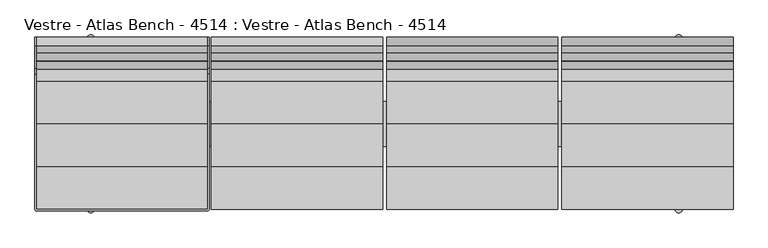
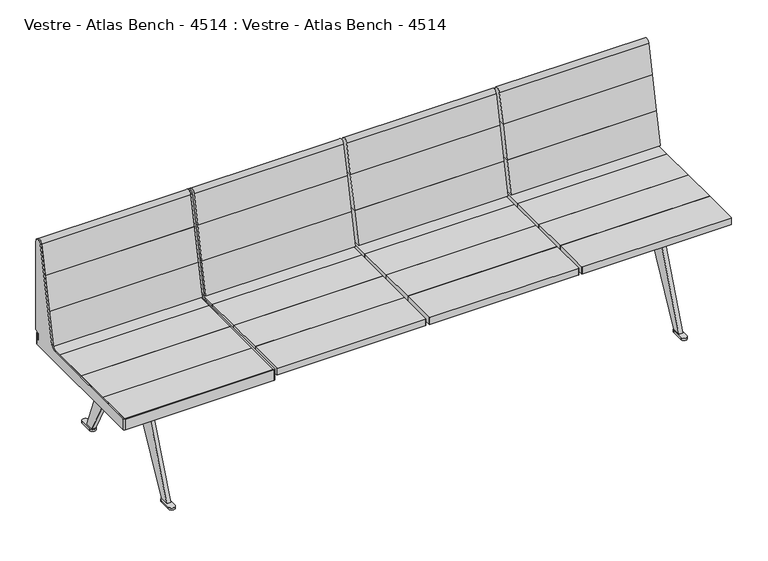
"""IFC4 building model written with IfcOpenShell, lengths in millimetres: furniture geometry, Vestre - Atlas Bench - 4514 : Vestre - Atlas Bench - 4514."""

from ifc_helpers import new_model, si_unit, point, frame, frame_2d, origin, origin_with_axes, place, context, project, spatial, polyline, circle_curve, trimmed, segment, composite_curve, outline, extrude, faceted_brep, source, transform, mapped, element, save
from ifc_brep_helpers import plane_surface, cylinder_surface, revolved_surface, advanced_brep


def vestre_atlas_bench_4514_vestre_atlas_bench_4514_ac5c6514(model_context):
    return source(origin(), model_context, "Body", "SolidModel", [
        advanced_brep(
        [(-1199.499749, 300.0000023, 454.2874442), (-1199.499749, 300.0000023, 823.6998603), (-1199.499749, 270.3277883, 826.8185356), (-1199.499749, 191.1979651, 454.541987), (-1199.499749, 171.6350131, 438.7002208), (-1199.499749, -294.035874, 438.7002208), (-1199.499749, -294.035874, 395.7002292), (-1199.499749, 294.0091733, 395.7002292), (-1199.499749, 294.0091733, 438.7002208), (-1199.499749, 289.8860908, 438.7002208), (-1199.499749, 287.8917461, 446.1432162), (-1199.499749, 299.001022, 452.5571596), (-1204.4994438, 300.0000023, 454.2874442), (-1204.4994438, 299.001022, 452.5571596), (-1204.4994438, 287.8917461, 446.1432162), (-1204.4994438, 289.8860908, 438.7002208), (-1204.4994438, 294.0000778, 438.7002208), (-1204.4994438, 294.000075, 395.7002292), (-1204.4994438, -294.0369399, 395.7002292), (-1204.4994438, -294.0369399, 438.7002208), (-1204.4994438, 171.6350131, 438.7002208), (-1204.4994438, 191.1979651, 454.541987), (-1204.4994438, 270.3277883, 826.8185356), (-1204.4994438, 300.0000023, 823.6998603), (-1198.5089782, 294.9999441, 438.7002208), (-610.4891794, 294.9999441, 438.7002208), (-609.4997154, 294.0104801, 438.7002208), (-609.4997154, 289.8860908, 438.7002208), (-604.5000206, 289.8860908, 438.7002208), (-604.5000206, 294.000075, 438.7002208), (-610.5000206, 300.000075, 438.7002208), (-1198.4994438, 300.000075, 438.7002208), (-1198.5363087, -300.000075, 438.7002208), (-610.5000206, -300.000075, 438.7002208), (-604.5000206, -294.000075, 438.7002208), (-604.5000206, 171.6350131, 438.7002208), (-609.4997154, 171.6350131, 438.7002208), (-609.4997154, -294.0016577, 438.7002208), (-610.4981471, -295.0000895, 438.7002208), (-1198.5355335, -295.0000895, 438.7002208), (-1198.4994438, 300.000075, 395.7002292), (-610.5000206, 300.000075, 395.7002292), (-604.5000206, 294.000075, 395.7002292), (-604.5000206, -294.000075, 395.7002292), (-610.5000206, -300.000075, 395.7002292), (-1198.5363087, -300.000075, 395.7002292), (-1198.5355335, -295.0000895, 395.7002292), (-610.4981471, -295.0000895, 395.7002292), (-609.4997154, -294.0016577, 395.7002292), (-609.4997154, 294.0104801, 395.7002292), (-610.4891794, 294.9999441, 395.7002292), (-1198.5089782, 294.9999441, 395.7002292), (-609.4997154, 191.1979651, 454.541987), (-609.4997154, 270.3277883, 826.8185356), (-609.4997154, 300.0000023, 823.6998603), (-609.4997154, 300.0000023, 454.2874442), (-609.4997154, 299.001022, 452.5571596), (-609.4997154, 287.8917461, 446.1432162), (-604.5000206, 287.8917461, 446.1432162), (-604.5000206, 299.001022, 452.5571596), (-604.5000206, 300.0000023, 454.2874442), (-604.5000206, 300.0000023, 823.6998603), (-604.5000206, 270.3277883, 826.8185356), (-604.5000206, 191.1979651, 454.541987)],
        [
            (0, 1),
            (1, 2, circle_curve(frame((-1199.499749, 285.0000023, 823.6998603), z_axis=(1.0, 0.0, 0.0), x_axis=(0.0, -1.0, 0.0)), 15.0)),
            (2, 3),
            (3, 4, circle_curve(frame((-1199.499749, 171.6350131, 458.7002208), z_axis=(-1.0, 0.0, 0.0), x_axis=(0.0, -1.0, 0.0)), 20.0)),
            (4, 5),
            (5, 6),
            (6, 7),
            (7, 8),
            (8, 9),
            (9, 10, circle_curve(frame((-1199.499749, 289.8860908, 442.68891), z_axis=(-1.0, 0.0, 0.0), x_axis=(0.0, -1.0, 0.0)), 3.9886892)),
            (10, 11),
            (11, 0, circle_curve(frame((-1199.499749, 298.0020417, 454.2874442), z_axis=(1.0, 0.0, 0.0), x_axis=(0.0, -1.0, 0.0)), 1.9979606)),
            (12, 13, circle_curve(frame((-1204.4994438, 298.0020417, 454.2874442), z_axis=(-1.0, 0.0, 0.0), x_axis=(0.0, -1.0, 0.0)), 1.9979606)),
            (13, 14),
            (14, 15, circle_curve(frame((-1204.4994438, 289.8860908, 442.68891), z_axis=(1.0, 0.0, 0.0), x_axis=(0.0, -1.0, 0.0)), 3.9886892)),
            (15, 16),
            (16, 17),
            (17, 18),
            (18, 19),
            (19, 20),
            (20, 21, circle_curve(frame((-1204.4994438, 171.6350131, 458.7002208), z_axis=(1.0, 0.0, 0.0), x_axis=(0.0, -1.0, 0.0)), 20.0)),
            (21, 22),
            (22, 23, circle_curve(frame((-1204.4994438, 285.0000023, 823.6998603), z_axis=(-1.0, 0.0, 0.0), x_axis=(0.0, -1.0, 0.0)), 15.0)),
            (23, 12),
            (0, 12),
            (23, 1),
            (22, 2),
            (21, 3),
            (20, 4),
            (8, 24, circle_curve(frame((-1198.5089782, 294.0091733, 438.7002208), z_axis=(0.0, 0.0, -1.0), x_axis=(1.0, 0.0, 0.0)), 0.9907708)),
            (24, 25),
            (25, 26, circle_curve(frame((-610.4891794, 294.0104801, 438.7002208), z_axis=(0.0, 0.0, -1.0), x_axis=(1.0, 0.0, 0.0)), 0.989464)),
            (26, 27),
            (27, 28),
            (28, 29),
            (29, 30, circle_curve(frame((-610.5000206, 294.000075, 438.7002208), z_axis=(0.0, 0.0, 1.0), x_axis=(1.0, 0.0, 0.0)), 6.0)),
            (30, 31),
            (31, 16, circle_curve(frame((-1198.4994438, 294.000075, 438.7002208), z_axis=(0.0, 0.0, 1.0), x_axis=(1.0, 0.0, 0.0)), 6.0)),
            (15, 9),
            (19, 32, circle_curve(frame((-1198.5363087, -294.0369399, 438.7002208), z_axis=(0.0, 0.0, 1.0), x_axis=(1.0, 0.0, 0.0)), 5.9631351)),
            (32, 33),
            (33, 34, circle_curve(frame((-610.5000206, -294.000075, 438.7002208), z_axis=(0.0, 0.0, 1.0), x_axis=(1.0, 0.0, 0.0)), 6.0)),
            (34, 35),
            (35, 36),
            (36, 37),
            (37, 38, circle_curve(frame((-610.4981471, -294.0016577, 438.7002208), z_axis=(0.0, 0.0, -1.0), x_axis=(1.0, 0.0, 0.0)), 0.9984317)),
            (38, 39),
            (39, 5, circle_curve(frame((-1198.5355335, -294.035874, 438.7002208), z_axis=(0.0, 0.0, -1.0), x_axis=(1.0, 0.0, 0.0)), 0.9642155)),
            (14, 10),
            (13, 11),
            (17, 40, circle_curve(frame((-1198.4994438, 294.000075, 395.7002292), z_axis=(0.0, 0.0, -1.0), x_axis=(1.0, 0.0, 0.0)), 6.0)),
            (40, 41),
            (41, 42, circle_curve(frame((-610.5000206, 294.000075, 395.7002292), z_axis=(0.0, 0.0, -1.0), x_axis=(1.0, 0.0, 0.0)), 6.0)),
            (42, 43),
            (43, 44, circle_curve(frame((-610.5000206, -294.000075, 395.7002292), z_axis=(0.0, 0.0, -1.0), x_axis=(1.0, 0.0, 0.0)), 6.0)),
            (44, 45),
            (45, 18, circle_curve(frame((-1198.5363087, -294.0369399, 395.7002292), z_axis=(0.0, 0.0, -1.0), x_axis=(1.0, 0.0, 0.0)), 5.9631351)),
            (6, 46, circle_curve(frame((-1198.5355335, -294.035874, 395.7002292), z_axis=(0.0, 0.0, 1.0), x_axis=(1.0, 0.0, 0.0)), 0.9642155)),
            (46, 47),
            (47, 48, circle_curve(frame((-610.4981471, -294.0016577, 395.7002292), z_axis=(0.0, 0.0, 1.0), x_axis=(1.0, 0.0, 0.0)), 0.9984317)),
            (48, 49),
            (49, 50, circle_curve(frame((-610.4891794, 294.0104801, 395.7002292), z_axis=(0.0, 0.0, 1.0), x_axis=(1.0, 0.0, 0.0)), 0.989464)),
            (50, 51),
            (51, 7, circle_curve(frame((-1198.5089782, 294.0091733, 395.7002292), z_axis=(0.0, 0.0, 1.0), x_axis=(1.0, 0.0, 0.0)), 0.9907708)),
            (51, 24),
            (50, 25),
            (49, 26),
            (48, 37),
            (36, 52, circle_curve(frame((-609.4997154, 171.6350131, 458.7002208), z_axis=(1.0, 0.0, 0.0), x_axis=(0.0, -1.0, 0.0)), 20.0)),
            (52, 53),
            (53, 54, circle_curve(frame((-609.4997154, 285.0000023, 823.6998603), z_axis=(-1.0, 0.0, 0.0), x_axis=(0.0, -1.0, 0.0)), 15.0)),
            (54, 55),
            (55, 56, circle_curve(frame((-609.4997154, 298.0020417, 454.2874442), z_axis=(-1.0, 0.0, 0.0), x_axis=(0.0, -1.0, 0.0)), 1.9979606)),
            (56, 57),
            (57, 27, circle_curve(frame((-609.4997154, 289.8860908, 442.68891), z_axis=(1.0, 0.0, 0.0), x_axis=(0.0, -1.0, 0.0)), 3.9886892)),
            (47, 38),
            (46, 39),
            (45, 32),
            (44, 33),
            (43, 34),
            (42, 29),
            (28, 58, circle_curve(frame((-604.5000206, 289.8860908, 442.68891), z_axis=(-1.0, 0.0, 0.0), x_axis=(0.0, -1.0, 0.0)), 3.9886892)),
            (58, 59),
            (59, 60, circle_curve(frame((-604.5000206, 298.0020417, 454.2874442), z_axis=(1.0, 0.0, 0.0), x_axis=(0.0, -1.0, 0.0)), 1.9979606)),
            (60, 61),
            (61, 62, circle_curve(frame((-604.5000206, 285.0000023, 823.6998603), z_axis=(1.0, 0.0, 0.0), x_axis=(0.0, -1.0, 0.0)), 15.0)),
            (62, 63),
            (63, 35, circle_curve(frame((-604.5000206, 171.6350131, 458.7002208), z_axis=(-1.0, 0.0, 0.0), x_axis=(0.0, -1.0, 0.0)), 20.0)),
            (41, 30),
            (40, 31),
            (54, 61),
            (60, 55),
            (53, 62),
            (52, 63),
            (57, 58),
            (56, 59),
        ],
        [
            plane_surface(frame((-1199.499749, 300.0000023, 823.700013), z_axis=(1.0, 0.0, 0.0), x_axis=(0.0, 0.0, 1.0))),
            plane_surface(frame((-1204.4994438, 300.0000023, 823.700013), z_axis=(-1.0, 0.0, 0.0), x_axis=(0.0, 0.0, -1.0))),
            plane_surface(frame((-1199.499749, 300.0000023, 454.2874442), z_axis=(0.0, 1.0, 0.0), x_axis=(-1.0, 0.0, 0.0))),
            cylinder_surface(frame((-1204.4994438, 285.0000023, 823.6998603), z_axis=(1.0, 0.0, 0.0), x_axis=(0.0, -1.0, 0.0)), 15.0),
            plane_surface(frame((-1199.499749, 270.3277883, 826.8185356), z_axis=(0.0, -0.9781476007338054, 0.20791169081776104), x_axis=(-1.0, 0.0, 0.0))),
            revolved_surface(polyline([(-1204.4994438, 151.6350131, 458.7002208), (-1199.499749, 151.6350131, 458.7002208)]), (-1204.4994438, 171.6350131, 458.7002208), (-1.0, 0.0, 0.0)),
            plane_surface(frame((-1199.499749, 171.6350131, 438.7002208), z_axis=(0.0, 0.0, 1.0), x_axis=(-1.0, 0.0, 0.0))),
            revolved_surface(polyline([(-1204.4994438, 285.89740159999997, 442.68891), (-1199.499749, 285.89740159999997, 442.68891)]), (-1204.4994438, 289.8860908, 442.68891), (-1.0, 0.0, 0.0)),
            plane_surface(frame((-1199.499749, 287.8917461, 446.1432162), z_axis=(0.0, 0.5000000000000018, -0.8660254037844377), x_axis=(-1.0, 0.0, 0.0))),
            cylinder_surface(frame((-1204.4994438, 298.0020417, 454.2874442), z_axis=(1.0, 0.0, 0.0), x_axis=(0.0, -1.0, 0.0)), 1.9979606),
            plane_surface(frame((-1199.499749, 294.0000051, 395.7002292), z_axis=(0.0, 0.0, -1.0), x_axis=(0.0, -1.0, 0.0))),
            revolved_surface(polyline([(-1197.5182074, 294.0091733, 395.7002292), (-1197.5182074, 294.0091733, 438.7002208)]), (-1198.5089782, 294.0091733, 395.7002292), (0.0, 0.0, -1.0)),
            plane_surface(frame((-1198.5089782, 294.9999441, 438.7002208), z_axis=(0.0, -1.0, 0.0), x_axis=(0.0, 0.0, -1.0))),
            revolved_surface(polyline([(-609.4997154, 294.0104801, 395.7002292), (-609.4997154, 294.0104801, 438.7002208)]), (-610.4891794, 294.0104801, 395.7002292), (0.0, 0.0, -1.0)),
            plane_surface(frame((-609.4997154, 294.0104801, 438.7002208), z_axis=(-1.0, 0.0, 0.0), x_axis=(0.0, 0.0, -1.0))),
            revolved_surface(polyline([(-609.4997154, -294.0016577, 395.7002292), (-609.4997154, -294.0016577, 438.7002208)]), (-610.4981471, -294.0016577, 395.7002292), (0.0, 0.0, -1.0)),
            plane_surface(frame((-610.4981471, -295.0000895, 438.7002208), z_axis=(0.0, 1.0, 0.0), x_axis=(0.0, 0.0, -1.0))),
            revolved_surface(polyline([(-1197.571318, -294.035874, 395.7002292), (-1197.571318, -294.035874, 438.7002208)]), (-1198.5355335, -294.035874, 395.7002292), (0.0, 0.0, -1.0)),
            cylinder_surface(frame((-1198.5363087, -294.0369399, 395.7002292), z_axis=(0.0, 0.0, 1.0), x_axis=(1.0, 0.0, 0.0)), 5.9631351),
            plane_surface(frame((-1198.5363087, -300.000075, 438.7002208), z_axis=(0.0, -1.0, 0.0), x_axis=(0.0, 0.0, -1.0))),
            cylinder_surface(frame((-610.5000206, -294.000075, 395.7002292), z_axis=(0.0, 0.0, 1.0), x_axis=(1.0, 0.0, 0.0)), 6.0),
            plane_surface(frame((-604.5000206, -294.000075, 438.7002208), z_axis=(1.0, 0.0, 0.0), x_axis=(0.0, 0.0, -1.0))),
            cylinder_surface(frame((-610.5000206, 294.000075, 395.7002292), z_axis=(0.0, 0.0, 1.0), x_axis=(1.0, 0.0, 0.0)), 6.0),
            plane_surface(frame((-610.5000206, 300.000075, 438.7002208), z_axis=(0.0, 1.0, 0.0), x_axis=(0.0, 0.0, -1.0))),
            cylinder_surface(frame((-1198.4994438, 294.000075, 395.7002292), z_axis=(0.0, 0.0, 1.0), x_axis=(1.0, 0.0, 0.0)), 6.0),
            plane_surface(frame((-609.4997154, 300.0000023, 823.6998603), z_axis=(0.0, 1.0, 0.0), x_axis=(1.0, 0.0, 0.0))),
            cylinder_surface(frame((-604.5000206, 285.0000023, 823.6998603), z_axis=(-1.0, 0.0, 0.0), x_axis=(0.0, -1.0, 0.0)), 15.0),
            plane_surface(frame((-609.4997154, 191.1979651, 454.541987), z_axis=(0.0, -0.9781476007338054, 0.20791169081776104), x_axis=(1.0, 0.0, 0.0))),
            revolved_surface(polyline([(-604.5000206, 151.6350131, 458.7002208), (-609.4997154, 151.6350131, 458.7002208)]), (-604.5000206, 171.6350131, 458.7002208), (1.0, 0.0, 0.0)),
            revolved_surface(polyline([(-604.5000206, 285.89740159999997, 442.68891), (-609.4997154, 285.89740159999997, 442.68891)]), (-604.5000206, 289.8860908, 442.68891), (1.0, 0.0, 0.0)),
            plane_surface(frame((-609.4997154, 299.001022, 452.5571596), z_axis=(0.0, 0.5000000000000018, -0.8660254037844377), x_axis=(1.0, 0.0, 0.0))),
            cylinder_surface(frame((-604.5000206, 298.0020417, 454.2874442), z_axis=(-1.0, 0.0, 0.0), x_axis=(0.0, -1.0, 0.0)), 1.9979606),
        ],
        [
            (0, [[1, 2, 3, 4, 5, 6, 7, 8, 9, 10, 11, 12]]),
            (1, [[13, 14, 15, 16, 17, 18, 19, 20, 21, 22, 23, 24]]),
            (2, [[-1, 25, -24, 26]]),
            (3, [[-2, -26, -23, 27]]),
            (4, [[-3, -27, -22, 28]]),
            (5, [[-4, -28, -21, 29]]),
            (6, [[-9, 30, 31, 32, 33, 34, 35, 36, 37, 38, -16, 39]]),
            (6, [[-29, -20, 40, 41, 42, 43, 44, 45, 46, 47, 48, -5]]),
            (7, [[-10, -39, -15, 49]]),
            (8, [[-11, -49, -14, 50]]),
            (9, [[-12, -50, -13, -25]]),
            (10, [[-18, 51, 52, 53, 54, 55, 56, 57], [58, 59, 60, 61, 62, 63, 64, -7]]),
            (11, [[-30, -8, -64, 65]]),
            (12, [[-31, -65, -63, 66]]),
            (13, [[67, -32, -66, -62]]),
            (14, [[-61, 68, -45, 69, 70, 71, 72, 73, 74, 75, -33, -67]]),
            (15, [[-46, -68, -60, 76]]),
            (16, [[-47, -76, -59, 77]]),
            (17, [[-48, -77, -58, -6]]),
            (18, [[-40, -19, -57, 78]]),
            (19, [[-41, -78, -56, 79]]),
            (20, [[-42, -79, -55, 80]]),
            (21, [[-54, 81, -35, 82, 83, 84, 85, 86, 87, 88, -43, -80]]),
            (22, [[-36, -81, -53, 89]]),
            (23, [[-37, -89, -52, 90]]),
            (24, [[-38, -90, -51, -17]]),
            (25, [[-72, 91, -85, 92]]),
            (26, [[-71, 93, -86, -91]]),
            (27, [[-70, 94, -87, -93]]),
            (28, [[-69, -44, -88, -94]]),
            (29, [[-75, 95, -82, -34]]),
            (30, [[-74, 96, -83, -95]]),
            (31, [[-73, -92, -84, -96]]),
        ],
    ),
        extrude(outline(composite_curve([segment(polyline([(245.3272667, 709.2003291), (270.3277883, 826.8185356)]), True, "CONTINUOUS"), segment(trimmed(circle_curve(frame_2d((285.0000023, 823.6998603)), 15.0), [point((270.3277883, 826.8185356))], [point((300.0000023, 823.6998603))], False, "CARTESIAN"), True, "CONTINUOUS"), segment(polyline([(300.0000023, 823.6998603), (300.0000023, 709.2003291), (245.3272667, 709.2003291)]), True, "CONTINUOUS")], self_intersect=False)), frame((-596.4993462, 0.0, 0.0), z_axis=(1.0, 0.0, 0.0), x_axis=(0.0, 1.0, 0.0)), (0.0, 0.0, 1.0), 590.0000336),
        extrude(outline(polyline([(217.1635184, 576.7003109), (245.3272667, 709.2003291), (300.0000023, 709.2003291), (300.0000023, 576.7003109), (217.1635184, 576.7003109)])), frame((-596.4993462, 0.0, 0.0), z_axis=(1.0, 0.0, 0.0), x_axis=(0.0, 1.0, 0.0)), (0.0, 0.0, 1.0), 590.0000336),
        extrude(outline(polyline([(-6.4993126, -146.0000273), (-596.4993462, -146.0000273), (-596.4993462, 0.0), (-6.4993126, 0.0), (-6.4993126, -146.0000273)])), frame((0.0, 0.0, 410.700222), z_axis=(0.0, 0.0, 1.0), x_axis=(1.0, 0.0, 0.0)), (0.0, 0.0, 1.0), 27.9999988),
        extrude(outline(polyline([(-6.4993126, 146.0000273), (-6.4993126, 0.0), (-596.4993462, 0.0), (-596.4993462, 146.0000273), (-6.4993126, 146.0000273)])), frame((0.0, 0.0, 410.700222), z_axis=(0.0, 0.0, 1.0), x_axis=(1.0, 0.0, 0.0)), (0.0, 0.0, 1.0), 27.9999988),
        extrude(outline(composite_curve([segment(polyline([(-595.5085754, 294.9999441), (-7.4887766, 294.9999441)]), True, "CONTINUOUS"), segment(trimmed(circle_curve(frame_2d((-7.4887766, 294.0104801)), 0.989464), [point((-7.4887766, 294.9999441))], [point((-6.4993126, 294.0104801))], False, "CARTESIAN"), True, "CONTINUOUS"), segment(polyline([(-6.4993126, 294.0104801), (-6.4993126, 146.0000273), (-596.4993462, 146.0000273), (-596.4993462, 294.0091733)]), True, "CONTINUOUS"), segment(trimmed(circle_curve(frame_2d((-595.5085754, 294.0091733)), 0.9907708), [point((-596.4993462, 294.0091733))], [point((-595.5085754, 294.9999441))], False, "CARTESIAN"), True, "CONTINUOUS")], self_intersect=False)), frame((0.0, 0.0, 410.700222), z_axis=(0.0, 0.0, 1.0), x_axis=(1.0, 0.0, 0.0)), (0.0, 0.0, 1.0), 27.9999988),
        extrude(outline(composite_curve([segment(trimmed(circle_curve(frame_2d((-595.5351307, -294.035874)), 0.9642155), [point((-595.5351307, -295.0000895))], [point((-596.4993462, -294.035874))], False, "CARTESIAN"), True, "CONTINUOUS"), segment(polyline([(-596.4993462, -294.035874), (-596.4993462, -146.0000273), (-6.4993126, -146.0000273), (-6.4993126, -294.0016577)]), True, "CONTINUOUS"), segment(trimmed(circle_curve(frame_2d((-7.4977443, -294.0016577)), 0.9984317), [point((-6.4993126, -294.0016577))], [point((-7.4977443, -295.0000895))], False, "CARTESIAN"), True, "CONTINUOUS"), segment(polyline([(-7.4977443, -295.0000895), (-595.5351307, -295.0000895)]), True, "CONTINUOUS")], self_intersect=False)), frame((0.0, 0.0, 410.700222), z_axis=(0.0, 0.0, 1.0), x_axis=(1.0, 0.0, 0.0)), (0.0, 0.0, 1.0), 27.9999988),
        extrude(outline(polyline([(-266.4997215, 34.9999712), (-266.4997215, -34.9999712), (-336.4989372, -34.9999712), (-336.4989372, 34.9999712), (-266.4997215, 34.9999712)])), frame((0.0, 0.0, 370.8502198), z_axis=(0.0, 0.0, 1.0), x_axis=(1.0, 0.0, 0.0)), (0.0, 0.0, 1.0), 39.8500022),
        extrude(outline(polyline([(217.1636487, 576.7003109), (299.9998569, 576.7003109), (299.9998569, 447.2002107), (189.6375526, 447.2002107), (217.1636487, 576.7003109)])), frame((-596.4993462, 0.0, 0.0), z_axis=(1.0, 0.0, 0.0), x_axis=(0.0, 1.0, 0.0)), (0.0, 0.0, 1.0), 590.0000336),
        extrude(outline(composite_curve([segment(polyline([(245.3272667, 709.2003291), (270.3277883, 826.8185356)]), True, "CONTINUOUS"), segment(trimmed(circle_curve(frame_2d((285.0000023, 823.6998603)), 15.0), [point((270.3277883, 826.8185356))], [point((300.0000023, 823.6998603))], False, "CARTESIAN"), True, "CONTINUOUS"), segment(polyline([(300.0000023, 823.6998603), (300.0000023, 709.2003291), (245.3272667, 709.2003291)]), True, "CONTINUOUS")], self_intersect=False)), frame((6.4993126, 0.0, 0.0), z_axis=(1.0, 0.0, 0.0), x_axis=(0.0, 1.0, 0.0)), (0.0, 0.0, 1.0), 590.0000336),
        extrude(outline(polyline([(217.1635184, 576.7003109), (245.3272667, 709.2003291), (300.0000023, 709.2003291), (300.0000023, 576.7003109), (217.1635184, 576.7003109)])), frame((6.4993126, 0.0, 0.0), z_axis=(1.0, 0.0, 0.0), x_axis=(0.0, 1.0, 0.0)), (0.0, 0.0, 1.0), 590.0000336),
        extrude(outline(polyline([(6.4993126, -146.0000273), (6.4993126, 0.0), (596.4993462, 0.0), (596.4993462, -146.0000273), (6.4993126, -146.0000273)])), frame((0.0, 0.0, 410.700222), z_axis=(0.0, 0.0, 1.0), x_axis=(1.0, 0.0, 0.0)), (0.0, 0.0, 1.0), 27.9999988),
        extrude(outline(polyline([(6.4993126, 146.0000273), (596.4993462, 146.0000273), (596.4993462, 0.0), (6.4993126, 0.0), (6.4993126, 146.0000273)])), frame((0.0, 0.0, 410.700222), z_axis=(0.0, 0.0, 1.0), x_axis=(1.0, 0.0, 0.0)), (0.0, 0.0, 1.0), 27.9999988),
        extrude(outline(composite_curve([segment(trimmed(circle_curve(frame_2d((595.5085754, 294.0091733)), 0.9907708), [point((595.5085754, 294.9999441))], [point((596.4993462, 294.0091733))], False, "CARTESIAN"), True, "CONTINUOUS"), segment(polyline([(596.4993462, 294.0091733), (596.4993462, 146.0000273), (6.4993126, 146.0000273), (6.4993126, 294.0104801)]), True, "CONTINUOUS"), segment(trimmed(circle_curve(frame_2d((7.4887766, 294.0104801)), 0.989464), [point((6.4993126, 294.0104801))], [point((7.4887766, 294.9999441))], False, "CARTESIAN"), True, "CONTINUOUS"), segment(polyline([(7.4887766, 294.9999441), (595.5085754, 294.9999441)]), True, "CONTINUOUS")], self_intersect=False)), frame((0.0, 0.0, 410.700222), z_axis=(0.0, 0.0, 1.0), x_axis=(1.0, 0.0, 0.0)), (0.0, 0.0, 1.0), 27.9999988),
        extrude(outline(composite_curve([segment(polyline([(595.5351307, -295.0000895), (7.4977443, -295.0000895)]), True, "CONTINUOUS"), segment(trimmed(circle_curve(frame_2d((7.4977443, -294.0016577)), 0.9984317), [point((7.4977443, -295.0000895))], [point((6.4993126, -294.0016577))], False, "CARTESIAN"), True, "CONTINUOUS"), segment(polyline([(6.4993126, -294.0016577), (6.4993126, -146.0000273), (596.4993462, -146.0000273), (596.4993462, -294.035874)]), True, "CONTINUOUS"), segment(trimmed(circle_curve(frame_2d((595.5351307, -294.035874)), 0.9642155), [point((596.4993462, -294.035874))], [point((595.5351307, -295.0000895))], False, "CARTESIAN"), True, "CONTINUOUS")], self_intersect=False)), frame((0.0, 0.0, 410.700222), z_axis=(0.0, 0.0, 1.0), x_axis=(1.0, 0.0, 0.0)), (0.0, 0.0, 1.0), 27.9999988),
        extrude(outline(polyline([(266.4997215, -34.9999712), (266.4997215, 34.9999712), (336.4989372, 34.9999712), (336.4989372, -34.9999712), (266.4997215, -34.9999712)])), frame((0.0, 0.0, 370.8502198), z_axis=(0.0, 0.0, 1.0), x_axis=(1.0, 0.0, 0.0)), (0.0, 0.0, 1.0), 39.8500022),
        extrude(outline(polyline([(217.1636487, 576.7003109), (299.9998569, 576.7003109), (299.9998569, 447.2002107), (189.6375526, 447.2002107), (217.1636487, 576.7003109)])), frame((6.4993126, 0.0, 0.0), z_axis=(1.0, 0.0, 0.0), x_axis=(0.0, 1.0, 0.0)), (0.0, 0.0, 1.0), 590.0000336),
        extrude(outline(composite_curve([segment(polyline([(245.3272667, 709.2003291), (270.3277883, 826.8185356)]), True, "CONTINUOUS"), segment(trimmed(circle_curve(frame_2d((285.0000023, 823.6998603)), 15.0), [point((270.3277883, 826.8185356))], [point((300.0000023, 823.6998603))], False, "CARTESIAN"), True, "CONTINUOUS"), segment(polyline([(300.0000023, 823.6998603), (300.0000023, 709.2003291), (245.3272667, 709.2003291)]), True, "CONTINUOUS")], self_intersect=False)), frame((609.4997154, 0.0, 0.0), z_axis=(1.0, 0.0, 0.0), x_axis=(0.0, 1.0, 0.0)), (0.0, 0.0, 1.0), 590.0000336),
        extrude(outline(polyline([(217.1635184, 576.7003109), (245.3272667, 709.2003291), (300.0000023, 709.2003291), (300.0000023, 576.7003109), (217.1635184, 576.7003109)])), frame((609.4997154, 0.0, 0.0), z_axis=(1.0, 0.0, 0.0), x_axis=(0.0, 1.0, 0.0)), (0.0, 0.0, 1.0), 590.0000336),
        extrude(outline(polyline([(609.4997154, -146.0000273), (609.4997154, 0.0), (1199.499749, 0.0), (1199.499749, -146.0000273), (609.4997154, -146.0000273)])), frame((0.0, 0.0, 410.700222), z_axis=(0.0, 0.0, 1.0), x_axis=(1.0, 0.0, 0.0)), (0.0, 0.0, 1.0), 27.9999988),
        extrude(outline(polyline([(609.4997154, 146.0000273), (1199.499749, 146.0000273), (1199.499749, 0.0), (609.4997154, 0.0), (609.4997154, 146.0000273)])), frame((0.0, 0.0, 410.700222), z_axis=(0.0, 0.0, 1.0), x_axis=(1.0, 0.0, 0.0)), (0.0, 0.0, 1.0), 27.9999988),
        extrude(outline(composite_curve([segment(trimmed(circle_curve(frame_2d((1198.5089782, 294.0091733)), 0.9907708), [point((1198.5089782, 294.9999441))], [point((1199.499749, 294.0091733))], False, "CARTESIAN"), True, "CONTINUOUS"), segment(polyline([(1199.499749, 294.0091733), (1199.499749, 146.0000273), (609.4997154, 146.0000273), (609.4997154, 294.0104801)]), True, "CONTINUOUS"), segment(trimmed(circle_curve(frame_2d((610.4891794, 294.0104801)), 0.989464), [point((609.4997154, 294.0104801))], [point((610.4891794, 294.9999441))], False, "CARTESIAN"), True, "CONTINUOUS"), segment(polyline([(610.4891794, 294.9999441), (1198.5089782, 294.9999441)]), True, "CONTINUOUS")], self_intersect=False)), frame((0.0, 0.0, 410.700222), z_axis=(0.0, 0.0, 1.0), x_axis=(1.0, 0.0, 0.0)), (0.0, 0.0, 1.0), 27.9999988),
        extrude(outline(composite_curve([segment(polyline([(1198.5355335, -295.0000895), (610.4981471, -295.0000895)]), True, "CONTINUOUS"), segment(trimmed(circle_curve(frame_2d((610.4981471, -294.0016577)), 0.9984317), [point((610.4981471, -295.0000895))], [point((609.4997154, -294.0016577))], False, "CARTESIAN"), True, "CONTINUOUS"), segment(polyline([(609.4997154, -294.0016577), (609.4997154, -146.0000273), (1199.499749, -146.0000273), (1199.499749, -294.035874)]), True, "CONTINUOUS"), segment(trimmed(circle_curve(frame_2d((1198.5355335, -294.035874)), 0.9642155), [point((1199.499749, -294.035874))], [point((1198.5355335, -295.0000895))], False, "CARTESIAN"), True, "CONTINUOUS")], self_intersect=False)), frame((0.0, 0.0, 410.700222), z_axis=(0.0, 0.0, 1.0), x_axis=(1.0, 0.0, 0.0)), (0.0, 0.0, 1.0), 27.9999988),
        extrude(outline(polyline([(869.5001244, -34.9999712), (869.5001244, 34.9999712), (939.4993401, 34.9999712), (939.4993401, -34.9999712), (869.5001244, -34.9999712)])), frame((0.0, 0.0, 370.8502198), z_axis=(0.0, 0.0, 1.0), x_axis=(1.0, 0.0, 0.0)), (0.0, 0.0, 1.0), 39.8500022),
        extrude(outline(polyline([(217.1636487, 576.7003109), (299.9998569, 576.7003109), (299.9998569, 447.2002107), (189.6375526, 447.2002107), (217.1636487, 576.7003109)])), frame((609.4997154, 0.0, 0.0), z_axis=(1.0, 0.0, 0.0), x_axis=(0.0, 1.0, 0.0)), (0.0, 0.0, 1.0), 590.0000336),
        extrude(outline(composite_curve([segment(polyline([(245.3272667, 709.2003291), (270.3277883, 826.8185356)]), True, "CONTINUOUS"), segment(trimmed(circle_curve(frame_2d((285.0000023, 823.6998603)), 15.0), [point((270.3277883, 826.8185356))], [point((300.0000023, 823.6998603))], False, "CARTESIAN"), True, "CONTINUOUS"), segment(polyline([(300.0000023, 823.6998603), (300.0000023, 709.2003291), (245.3272667, 709.2003291)]), True, "CONTINUOUS")], self_intersect=False)), frame((-1199.499749, 0.0, 0.0), z_axis=(1.0, 0.0, 0.0), x_axis=(0.0, 1.0, 0.0)), (0.0, 0.0, 1.0), 590.0000336),
        extrude(outline(polyline([(217.1635184, 576.7003109), (245.3272667, 709.2003291), (300.0000023, 709.2003291), (300.0000023, 576.7003109), (217.1635184, 576.7003109)])), frame((-1199.499749, 0.0, 0.0), z_axis=(1.0, 0.0, 0.0), x_axis=(0.0, 1.0, 0.0)), (0.0, 0.0, 1.0), 590.0000336),
        extrude(outline(polyline([(-609.4997154, -146.0000273), (-1199.499749, -146.0000273), (-1199.499749, 0.0), (-609.4997154, 0.0), (-609.4997154, -146.0000273)])), frame((0.0, 0.0, 410.700222), z_axis=(0.0, 0.0, 1.0), x_axis=(1.0, 0.0, 0.0)), (0.0, 0.0, 1.0), 27.9999988),
        extrude(outline(polyline([(-609.4997154, 146.0000273), (-609.4997154, 0.0), (-1199.499749, 0.0), (-1199.499749, 146.0000273), (-609.4997154, 146.0000273)])), frame((0.0, 0.0, 410.700222), z_axis=(0.0, 0.0, 1.0), x_axis=(1.0, 0.0, 0.0)), (0.0, 0.0, 1.0), 27.9999988),
        extrude(outline(composite_curve([segment(polyline([(-1198.5089782, 294.9999441), (-610.4891794, 294.9999441)]), True, "CONTINUOUS"), segment(trimmed(circle_curve(frame_2d((-610.4891794, 294.0104801)), 0.989464), [point((-610.4891794, 294.9999441))], [point((-609.4997154, 294.0104801))], False, "CARTESIAN"), True, "CONTINUOUS"), segment(polyline([(-609.4997154, 294.0104801), (-609.4997154, 146.0000273), (-1199.499749, 146.0000273), (-1199.499749, 294.0091733)]), True, "CONTINUOUS"), segment(trimmed(circle_curve(frame_2d((-1198.5089782, 294.0091733)), 0.9907708), [point((-1199.499749, 294.0091733))], [point((-1198.5089782, 294.9999441))], False, "CARTESIAN"), True, "CONTINUOUS")], self_intersect=False)), frame((0.0, 0.0, 410.700222), z_axis=(0.0, 0.0, 1.0), x_axis=(1.0, 0.0, 0.0)), (0.0, 0.0, 1.0), 27.9999988),
        extrude(outline(composite_curve([segment(trimmed(circle_curve(frame_2d((-1198.5355335, -294.035874)), 0.9642155), [point((-1198.5355335, -295.0000895))], [point((-1199.499749, -294.035874))], False, "CARTESIAN"), True, "CONTINUOUS"), segment(polyline([(-1199.499749, -294.035874), (-1199.499749, -146.0000273), (-609.4997154, -146.0000273), (-609.4997154, -294.0016577)]), True, "CONTINUOUS"), segment(trimmed(circle_curve(frame_2d((-610.4981471, -294.0016577)), 0.9984317), [point((-609.4997154, -294.0016577))], [point((-610.4981471, -295.0000895))], False, "CARTESIAN"), True, "CONTINUOUS"), segment(polyline([(-610.4981471, -295.0000895), (-1198.5355335, -295.0000895)]), True, "CONTINUOUS")], self_intersect=False)), frame((0.0, 0.0, 410.700222), z_axis=(0.0, 0.0, 1.0), x_axis=(1.0, 0.0, 0.0)), (0.0, 0.0, 1.0), 27.9999988),
        extrude(outline(polyline([(-869.5001244, 34.9999712), (-869.5001244, -34.9999712), (-939.4993401, -34.9999712), (-939.4993401, 34.9999712), (-869.5001244, 34.9999712)])), frame((0.0, 0.0, 370.8502198), z_axis=(0.0, 0.0, 1.0), x_axis=(1.0, 0.0, 0.0)), (0.0, 0.0, 1.0), 39.8500022),
        extrude(outline(polyline([(217.1636487, 576.7003109), (299.9998569, 576.7003109), (299.9998569, 447.2002107), (189.6375526, 447.2002107), (217.1636487, 576.7003109)])), frame((-1199.499749, 0.0, 0.0), z_axis=(1.0, 0.0, 0.0), x_axis=(0.0, 1.0, 0.0)), (0.0, 0.0, 1.0), 590.0000336),
        faceted_brep([(1004.500605, 0.0, 304.9999878), (1004.500605, 77.4828432, 400.0000031), (1004.500605, -77.4832792, 400.0000031), (-1004.4994423, 0.0, 304.9999878), (-1004.4994423, -77.4832792, 400.0000031), (-1004.4994423, 77.4828432, 400.0000031), (-869.499543, 34.9996805, 400.0000031), (-869.499543, -35.0001165, 400.0000031), (-939.4993401, -35.0001165, 400.0000031), (-939.4993401, 34.9996805, 400.0000031), (-266.4997215, -35.0001165, 400.0000031), (-336.4995186, -35.0001165, 400.0000031), (-336.4995186, 34.9996805, 400.0000031), (-266.4997215, 34.9996805, 400.0000031), (939.4993401, -35.0001165, 400.0000031), (869.499543, -35.0001165, 400.0000031), (869.499543, 34.9996805, 400.0000031), (939.4993401, 34.9996805, 400.0000031), (336.4995186, 34.9996805, 400.0000031), (336.4995186, -35.0001165, 400.0000031), (266.4997215, -35.0001165, 400.0000031), (266.4997215, 34.9996805, 400.0000031), (-869.499543, -35.0001165, 370.8502198), (-869.499543, 34.9996805, 370.8502198), (-939.4993401, 34.9996805, 370.8502198), (-939.4993401, -35.0001165, 370.8502198), (-336.4995186, -35.0001165, 370.8502198), (-266.4997215, -35.0001165, 370.8502198), (-266.4997215, 34.9996805, 370.8502198), (-336.4995186, 34.9996805, 370.8502198), (869.499543, -35.0001165, 370.8502198), (939.4993401, -35.0001165, 370.8502198), (939.4993401, 34.9996805, 370.8502198), (869.499543, 34.9996805, 370.8502198), (336.4995186, -35.0001165, 370.8502198), (336.4995186, 34.9996805, 370.8502198), (266.4997215, 34.9996805, 370.8502198), (266.4997215, -35.0001165, 370.8502198)], [[[0, 1, 2]], [[3, 4, 5]], [[1, 0, 3, 5]], [[2, 1, 5, 4], [6, 7, 8, 9], [10, 11, 12, 13], [14, 15, 16, 17], [18, 19, 20, 21]], [[0, 2, 4, 3]], [[22, 23, 24, 25]], [[26, 27, 28, 29]], [[30, 31, 32, 33]], [[34, 35, 36, 37]], [[23, 22, 7, 6]], [[24, 23, 6, 9]], [[25, 24, 9, 8]], [[22, 25, 8, 7]], [[27, 26, 11, 10]], [[28, 27, 10, 13]], [[29, 28, 13, 12]], [[26, 29, 12, 11]], [[31, 30, 15, 14]], [[32, 31, 14, 17]], [[33, 32, 17, 16]], [[30, 33, 16, 15]], [[35, 34, 19, 18]], [[36, 35, 18, 21]], [[37, 36, 21, 20]], [[34, 37, 20, 19]]]),
        extrude(outline(composite_curve([segment(polyline([(274.4581476, 7.85), (238.7432621, 7.85), (86.6507551, 294.3770811)]), True, "CONTINUOUS"), segment(trimmed(circle_curve(frame_2d((68.9852486, 284.9999878)), 20.0), [point((86.6507551, 294.3770811))], [point((68.9852486, 304.9999878))], True, "CARTESIAN"), True, "CONTINUOUS"), segment(polyline([(68.9852486, 304.9999878), (-68.9852486, 304.9999878)]), True, "CONTINUOUS"), segment(trimmed(circle_curve(frame_2d((-68.9852486, 284.9999878)), 20.0), [point((-68.9852486, 304.9999878))], [point((-86.6507551, 294.3770811))], True, "CARTESIAN"), True, "CONTINUOUS"), segment(polyline([(-86.6507551, 294.3770811), (-238.7432621, 7.85), (-274.4581476, 7.85), (-122.5040271, 393.6645503)]), True, "CONTINUOUS"), segment(trimmed(circle_curve(frame_2d((-113.1996683, 390.0000031)), 10.0), [point((-122.5040271, 393.6645503))], [point((-113.1996683, 400.0000031))], False, "CARTESIAN"), True, "CONTINUOUS"), segment(polyline([(-113.1996683, 400.0000031), (113.1996683, 400.0000031)]), True, "CONTINUOUS"), segment(trimmed(circle_curve(frame_2d((113.1996683, 390.0000031)), 10.0), [point((113.1996683, 400.0000031))], [point((122.5040271, 393.6645503))], False, "CARTESIAN"), True, "CONTINUOUS"), segment(polyline([(122.5040271, 393.6645503), (274.4581476, 7.85)]), True, "CONTINUOUS")], self_intersect=False)), frame((1004.4994423, 0.0, 0.0), z_axis=(1.0, 0.0, 0.0), x_axis=(0.0, 1.0, 0.0)), (0.0, 0.0, 1.0), 15.0002472),
        extrude(outline(composite_curve([segment(trimmed(circle_curve(frame_2d((-1011.9992752, 294.7881019)), 12.5001091), [point((-1024.4993843, 294.7881019))], [point((-999.4991661, 294.7881019))], False, "CARTESIAN"), True, "CONTINUOUS"), segment(polyline([(-999.4991661, 294.7881019), (-999.4991661, 246.6671022)]), True, "CONTINUOUS"), segment(trimmed(circle_curve(frame_2d((-1011.9992752, 246.6671022)), 12.5001091), [point((-999.4991661, 246.6671022))], [point((-1024.4993843, 246.6671022))], False, "CARTESIAN"), True, "CONTINUOUS"), segment(polyline([(-1024.4993843, 246.6671022), (-1024.4993843, 294.7881019)]), True, "CONTINUOUS")], self_intersect=False)), origin_with_axes(), (0.0, 0.0, 1.0), 7.85),
        extrude(outline(composite_curve([segment(polyline([(-1024.4993843, -294.7881019), (-1024.4993843, -246.6671022)]), True, "CONTINUOUS"), segment(trimmed(circle_curve(frame_2d((-1011.9992752, -246.6671022)), 12.5001091), [point((-1024.4993843, -246.6671022))], [point((-999.4991661, -246.6671022))], False, "CARTESIAN"), True, "CONTINUOUS"), segment(polyline([(-999.4991661, -246.6671022), (-999.4991661, -294.7881019)]), True, "CONTINUOUS"), segment(trimmed(circle_curve(frame_2d((-1011.9992752, -294.7881019)), 12.5001091), [point((-999.4991661, -294.7881019))], [point((-1024.4993843, -294.7881019))], False, "CARTESIAN"), True, "CONTINUOUS")], self_intersect=False)), origin_with_axes(), (0.0, 0.0, 1.0), 7.85),
        extrude(outline(composite_curve([segment(polyline([(1024.4993843, 294.7881019), (1024.4993843, 246.6671022)]), True, "CONTINUOUS"), segment(trimmed(circle_curve(frame_2d((1011.9992752, 246.6671022)), 12.5001091), [point((1024.4993843, 246.6671022))], [point((999.4991661, 246.6671022))], False, "CARTESIAN"), True, "CONTINUOUS"), segment(polyline([(999.4991661, 246.6671022), (999.4991661, 294.7881019)]), True, "CONTINUOUS"), segment(trimmed(circle_curve(frame_2d((1011.9992752, 294.7881019)), 12.5001091), [point((999.4991661, 294.7881019))], [point((1024.4993843, 294.7881019))], False, "CARTESIAN"), True, "CONTINUOUS")], self_intersect=False)), origin_with_axes(), (0.0, 0.0, 1.0), 7.85),
        extrude(outline(composite_curve([segment(trimmed(circle_curve(frame_2d((1011.9992752, -294.7881019)), 12.5001091), [point((1024.4993843, -294.7881019))], [point((999.4991661, -294.7881019))], False, "CARTESIAN"), True, "CONTINUOUS"), segment(polyline([(999.4991661, -294.7881019), (999.4991661, -246.6671022)]), True, "CONTINUOUS"), segment(trimmed(circle_curve(frame_2d((1011.9992752, -246.6671022)), 12.5001091), [point((999.4991661, -246.6671022))], [point((1024.4993843, -246.6671022))], False, "CARTESIAN"), True, "CONTINUOUS"), segment(polyline([(1024.4993843, -246.6671022), (1024.4993843, -294.7881019)]), True, "CONTINUOUS")], self_intersect=False)), origin_with_axes(), (0.0, 0.0, 1.0), 7.85),
        extrude(outline(composite_curve([segment(polyline([(274.4581476, 7.85), (238.7432621, 7.85), (86.6507551, 294.3770811)]), True, "CONTINUOUS"), segment(trimmed(circle_curve(frame_2d((68.9852486, 284.9999878)), 20.0), [point((86.6507551, 294.3770811))], [point((68.9852486, 304.9999878))], True, "CARTESIAN"), True, "CONTINUOUS"), segment(polyline([(68.9852486, 304.9999878), (-68.9852486, 304.9999878)]), True, "CONTINUOUS"), segment(trimmed(circle_curve(frame_2d((-68.9852486, 284.9999878)), 20.0), [point((-68.9852486, 304.9999878))], [point((-86.6507551, 294.3770811))], True, "CARTESIAN"), True, "CONTINUOUS"), segment(polyline([(-86.6507551, 294.3770811), (-238.7432621, 7.85), (-274.4581476, 7.85), (-122.5040271, 393.6645503)]), True, "CONTINUOUS"), segment(trimmed(circle_curve(frame_2d((-113.1996683, 390.0000031)), 10.0), [point((-122.5040271, 393.6645503))], [point((-113.1996683, 400.0000031))], False, "CARTESIAN"), True, "CONTINUOUS"), segment(polyline([(-113.1996683, 400.0000031), (113.1996683, 400.0000031)]), True, "CONTINUOUS"), segment(trimmed(circle_curve(frame_2d((113.1996683, 390.0000031)), 10.0), [point((113.1996683, 400.0000031))], [point((122.5040271, 393.6645503))], False, "CARTESIAN"), True, "CONTINUOUS"), segment(polyline([(122.5040271, 393.6645503), (274.4581476, 7.85)]), True, "CONTINUOUS")], self_intersect=False)), frame((-1019.4996895, 0.0, 0.0), z_axis=(1.0, 0.0, 0.0), x_axis=(0.0, 1.0, 0.0)), (0.0, 0.0, 1.0), 15.0002472),
    ])


if __name__ == "__main__":
    model = new_model("IFC4")
    model_context = context("Model", 3, world=origin())
    ifc_project = project(units=[si_unit("LENGTHUNIT", "METRE", prefix="MILLI")], contexts=[model_context])
    site = spatial("IfcSite", under=ifc_project)
    building = spatial("IfcBuilding", under=site)
    placement = place(None, origin())
    vestre_atlas_bench_4514_vestre_atlas_bench_4514_shape = vestre_atlas_bench_4514_vestre_atlas_bench_4514_ac5c6514(model_context)
    element("IfcFurniture", 1, ObjectType="Vestre - Atlas Bench - 4514 : Vestre - Atlas Bench - 4514", at=placement, inside=building, context=model_context, shape_type="MappedRepresentation", body=[
        mapped(vestre_atlas_bench_4514_vestre_atlas_bench_4514_shape, transform((0.0, 0.0, 0.0), x_axis=(1.0, 0.0, 0.0), y_axis=(0.0, 1.0, 0.0), z_axis=(0.0, 0.0, 1.0))),
    ])
    save(model, "model.ifc")
